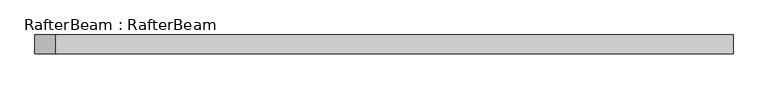
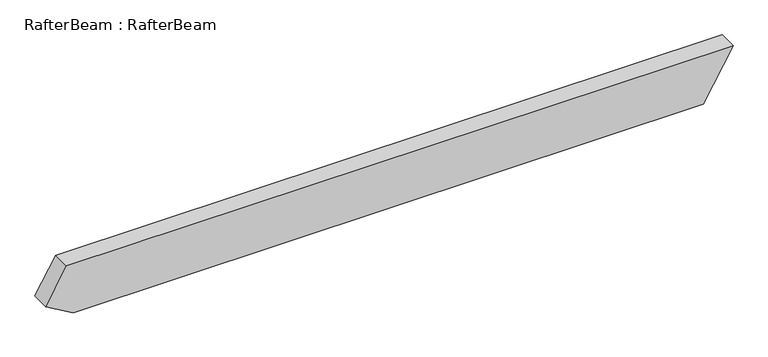
"""IFC4 building model written with IfcOpenShell, lengths in millimetres: beam geometry, RafterBeam : RafterBeam."""

from ifc_helpers import new_model, si_unit, frame, origin, place, context, project, spatial, polyline, outline, extrude, source, transform, mapped, element, save


def rafterbeam_rafterbeam_2ae5019c(model_context):
    return source(origin(), model_context, "Body", "SweptSolid", [
        extrude(outline(polyline([(70.0, 900.6664199), (70.0, -900.6664199), (-26.6987298, -956.4954576), (-70.0, -881.4954576), (-70.0, 819.8373822), (70.0, 900.6664199)])), frame((0.0, -25.0, 0.0), z_axis=(0.0, 1.0, 0.0), x_axis=(0.0, 0.0, 1.0)), (0.0, 0.0, 1.0), 50.0),
    ])


if __name__ == "__main__":
    model = new_model("IFC4")
    model_context = context("Model", 3, world=origin())
    ifc_project = project(units=[si_unit("LENGTHUNIT", "METRE", prefix="MILLI")], contexts=[model_context])
    site = spatial("IfcSite", under=ifc_project)
    building = spatial("IfcBuilding", under=site)
    placement = place(None, origin())
    rafterbeam_rafterbeam_shape = rafterbeam_rafterbeam_2ae5019c(model_context)
    element("IfcBeam", 1, ObjectType="RafterBeam : RafterBeam", at=placement, inside=building, context=model_context, shape_type="MappedRepresentation", body=[
        mapped(rafterbeam_rafterbeam_shape, transform((0.0, 0.0, 0.0), x_axis=(1.0, 0.0, 0.0), y_axis=(0.0, 1.0, 0.0), z_axis=(0.0, 0.0, 1.0))),
    ])
    save(model, "model.ifc")
